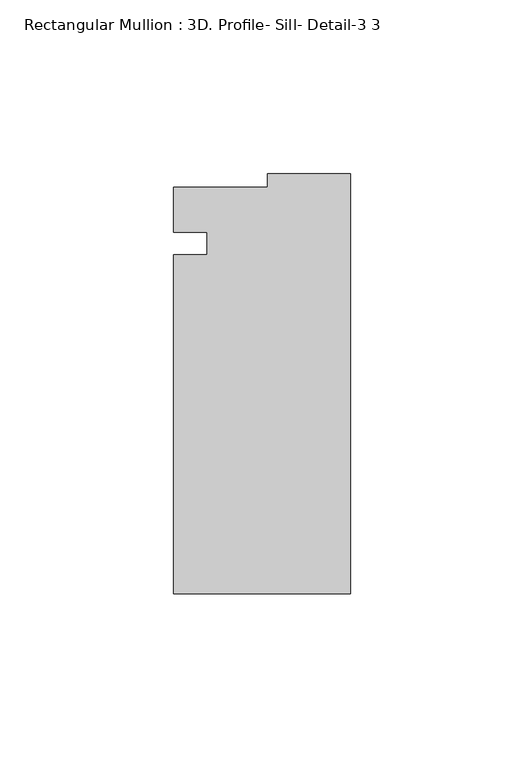
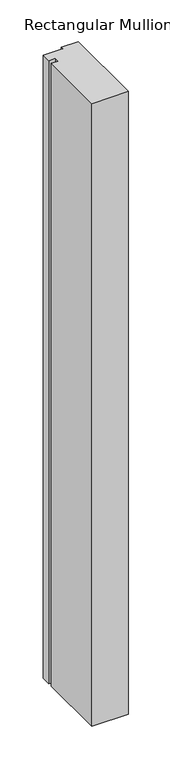
"""IFC4 building model written with IfcOpenShell, lengths in millimetres: member geometry, Rectangular Mullion : 3D. Profile- Sill- Detail-3 3."""

from ifc_helpers import new_model, si_unit, frame, origin, place, context, project, spatial, polyline, outline, extrude, source, transform, mapped, element, save


def rectangular_mullion_3d_profile_sill_detail_3_3_50b62226(model_context):
    return source(origin(), model_context, "Body", "SweptSolid", [
        extrude(outline(polyline([(-50.8, -59.8450925), (-50.8, 37.5800829), (-41.275, 37.5800829), (-41.275, 44.0203213), (-50.7758192, 44.0203213), (-50.7758192, 57.0050675), (-23.7756192, 57.0050675), (-23.7756192, 60.8049075), (0.0, 60.8049075), (0.0, -59.8450925), (-50.8, -59.8450925)])), frame((0.0, 0.0, -914.4), z_axis=(0.0, 0.0, 1.0), x_axis=(1.0, 0.0, 0.0)), (0.0, 0.0, 1.0), 914.4),
    ])


if __name__ == "__main__":
    model = new_model("IFC4")
    model_context = context("Model", 3, world=origin())
    ifc_project = project(units=[si_unit("LENGTHUNIT", "METRE", prefix="MILLI")], contexts=[model_context])
    site = spatial("IfcSite", under=ifc_project)
    building = spatial("IfcBuilding", under=site)
    placement = place(None, origin())
    rectangular_mullion_3d_profile_sill_detail_3_3_shape = rectangular_mullion_3d_profile_sill_detail_3_3_50b62226(model_context)
    element("IfcMember", 1, ObjectType="Rectangular Mullion : 3D. Profile- Sill- Detail-3 3", at=placement, inside=building, context=model_context, shape_type="MappedRepresentation", body=[
        mapped(rectangular_mullion_3d_profile_sill_detail_3_3_shape, transform((0.0, 0.0, 0.0), x_axis=(1.0, 0.0, 0.0), y_axis=(0.0, 1.0, 0.0), z_axis=(0.0, 0.0, 1.0))),
    ])
    save(model, "model.ifc")
